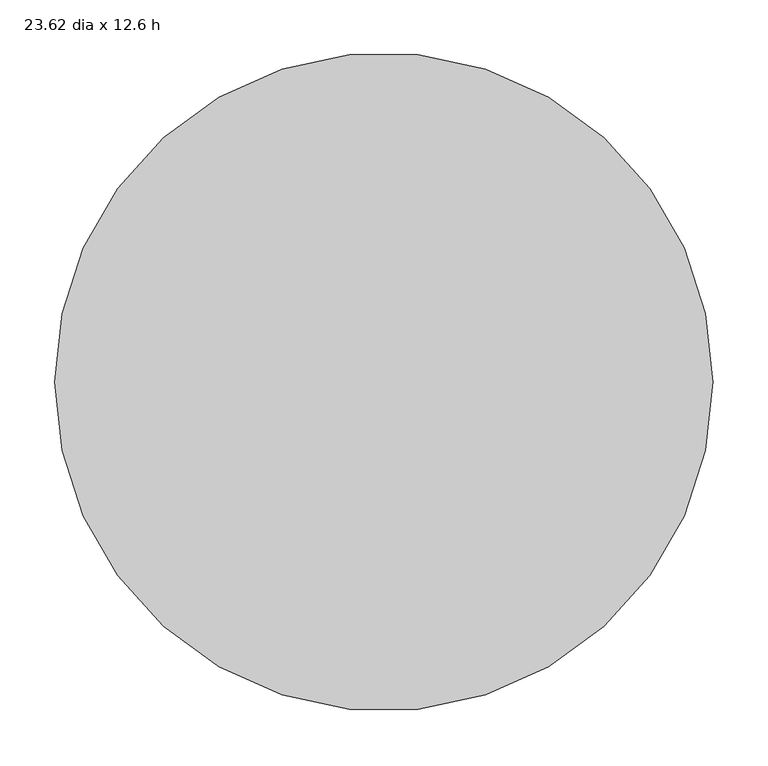
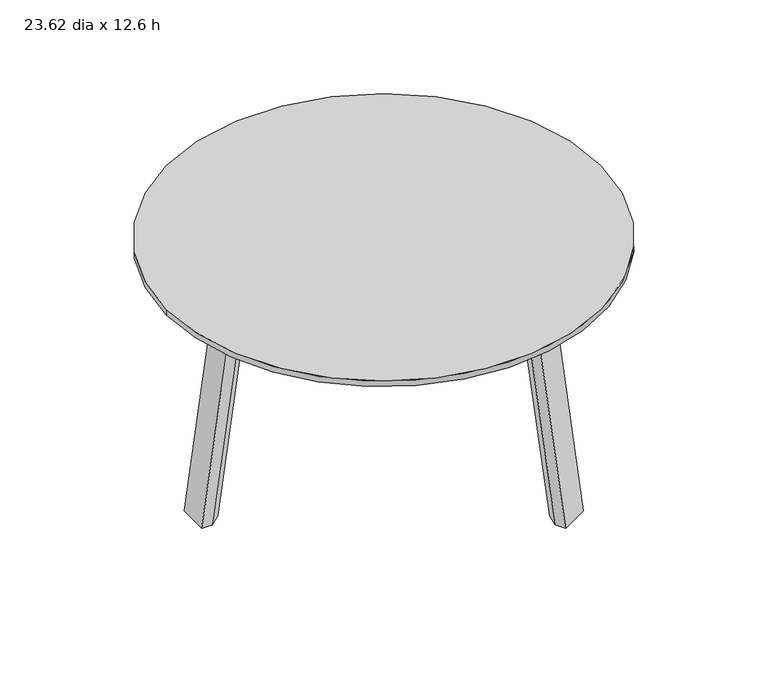
"""IFC4 building model written with IfcOpenShell, lengths in millimetres: furniture geometry, 23.62 dia x 12.6 h."""

from ifc_helpers import new_model, si_unit, point, frame, origin, place, context, project, spatial, polyline, circle_curve, ellipse_curve, trimmed, source, transform, mapped, element, save
from ifc_brep_helpers import plane_surface, cylinder_surface, revolved_surface, advanced_brep


def furniture_23_62_dia_x_12_6_h_30333c52(model_context):
    return source(origin(), model_context, "Body", "AdvancedBrep", [
        advanced_brep(
        [(-164.2149804, 7.7487349, 274.7818324), (-164.2149804, 21.0031239, 290.0292627), (-12.1261592, 21.0031239, 290.0292627), (-4.4737342, 7.7487349, 274.7818324), (-214.626195, 21.0031239, 246.2074624), (-249.2283973, 21.0031239, 0.0), (-263.6148095, 21.0031239, 0.0), (-228.7339546, 21.0031239, 248.1901787), (-164.2149804, 21.0031239, 304.2756674), (-12.1261592, 21.0031239, 304.2756674), (-164.2149804, -21.0031239, 304.2756674), (-12.1261592, -21.0031239, 304.2756674), (63.9182514, -152.7159067, 304.2756674), (100.2967291, -131.7127828, 304.2756674), (24.2523185, 0.0, 304.2756674), (100.2967291, 131.7127828, 304.2756674), (63.9182514, 152.7159067, 304.2756674), (-228.7339546, -21.0031239, 248.1901787), (-263.6148095, -21.0031239, 0.0), (-249.2283973, -21.0031239, 0.0), (-214.626195, -21.0031239, 246.2074624), (-164.2149804, -21.0031239, 290.0292627), (-12.1261592, -21.0031239, 290.0292627), (-164.2149804, -7.7487349, 274.7818324), (-4.4737342, -7.7487349, 274.7818324), (75.396889, 146.0887122, 274.7818324), (88.8180915, 138.3399773, 274.7818324), (8.9474683, 0.0, 274.7818324), (88.8180915, -138.3399773, 274.7818324), (75.396889, -146.0887122, 274.7818324), (-199.5271516, 7.7487349, 244.0854303), (-199.5271516, -7.7487349, 244.0854303), (-233.8311217, 7.7487349, 0.0), (-233.8311217, -7.7487349, 0.0), (100.2967291, 131.7127828, 290.0292627), (24.2523185, 0.0, 290.0292627), (125.5023363, 175.3701753, 246.2074624), (142.8034375, 205.3365615, 0.0), (149.9966436, 217.7955599, 0.0), (132.5562162, 187.5878535, 248.1901787), (96.1777385, 208.5909774, 248.1901787), (113.6181659, 238.7986838, 0.0), (106.4249598, 226.3396853, 0.0), (89.1238587, 196.3732991, 246.2074624), (63.9182514, 152.7159067, 290.0292627), (106.4741771, 168.9212146, 244.0854303), (93.0529745, 176.6699495, 244.0854303), (123.6261621, 198.6293242, 0.0), (110.2049596, 206.378059, 0.0), (100.2967291, -131.7127828, 290.0292627), (132.5562162, -187.5878535, 248.1901787), (149.9966436, -217.7955599, 0.0), (142.8034375, -205.3365615, 0.0), (125.5023363, -175.3701753, 246.2074624), (63.9182514, -152.7159067, 290.0292627), (89.1238587, -196.3732991, 246.2074624), (106.4249598, -226.3396853, 0.0), (113.6181659, -238.7986838, 0.0), (96.1777385, -208.5909774, 248.1901787), (106.4741771, -168.9212146, 244.0854303), (93.0529745, -176.6699495, 244.0854303), (123.6261621, -198.6293242, 0.0), (110.2049596, -206.378059, 0.0)],
        [
            (0, 1),
            (1, 2),
            (2, 3),
            (3, 0),
            (1, 4, circle_curve(frame((-164.2149804, 21.0031239, 239.1226283), z_axis=(0.0, -1.0, 0.0), x_axis=(0.0, 0.0, 1.0)), 50.9066345)),
            (4, 5),
            (5, 6),
            (6, 7),
            (7, 8, circle_curve(frame((-164.2149804, 21.0031239, 239.1226283), z_axis=(0.0, 1.0, 0.0), x_axis=(0.0, 0.0, 1.0)), 65.1530391)),
            (8, 9),
            (9, 2),
            (8, 10),
            (10, 11),
            (11, 12),
            (12, 13),
            (13, 14),
            (14, 15),
            (15, 16),
            (16, 9),
            (10, 17, circle_curve(frame((-164.2149804, -21.0031239, 239.1226283), z_axis=(0.0, -1.0, 0.0), x_axis=(0.0, 0.0, 1.0)), 65.1530391)),
            (17, 18),
            (18, 19),
            (19, 20),
            (20, 21, circle_curve(frame((-164.2149804, -21.0031239, 239.1226283), z_axis=(0.0, 1.0, 0.0), x_axis=(0.0, 0.0, 1.0)), 50.9066345)),
            (21, 22),
            (22, 11),
            (21, 23),
            (23, 24),
            (24, 22),
            (23, 0),
            (3, 25),
            (25, 26),
            (26, 27),
            (27, 28),
            (28, 29),
            (29, 24),
            (0, 30, circle_curve(frame((-164.2149804, 7.7487349, 239.1226283), z_axis=(0.0, -1.0, 0.0), x_axis=(0.0, 0.0, 1.0)), 35.6592041)),
            (30, 4),
            (7, 17),
            (20, 31),
            (31, 23, circle_curve(frame((-164.2149804, -7.7487349, 239.1226283), z_axis=(0.0, 1.0, 0.0), x_axis=(0.0, 0.0, 1.0)), 35.6592041)),
            (31, 30),
            (30, 32),
            (32, 5),
            (6, 18),
            (19, 33),
            (33, 31),
            (33, 32),
            (26, 34),
            (34, 35),
            (35, 27),
            (34, 36, circle_curve(frame((100.2967291, 131.7127828, 239.1226283), z_axis=(-0.8660254037852729, 0.49999999999855493, 0.0), x_axis=(0.0, 0.0, 1.0)), 50.9066345)),
            (36, 37),
            (37, 38),
            (38, 39),
            (39, 15, circle_curve(frame((100.2967291, 131.7127828, 239.1226283), z_axis=(0.8660254037852729, -0.49999999999855493, 0.0), x_axis=(0.0, 0.0, 1.0)), 65.1530391)),
            (14, 35),
            (16, 40, circle_curve(frame((63.9182514, 152.7159067, 239.1226283), z_axis=(-0.8660254037852729, 0.49999999999855493, 0.0), x_axis=(0.0, 0.0, 1.0)), 65.1530391)),
            (40, 41),
            (41, 42),
            (42, 43),
            (43, 44, circle_curve(frame((63.9182514, 152.7159067, 239.1226283), z_axis=(0.8660254037852729, -0.49999999999855493, 0.0), x_axis=(0.0, 0.0, 1.0)), 50.9066345)),
            (44, 2),
            (44, 25),
            (26, 45, circle_curve(frame((88.8180915, 138.3399773, 239.1226283), z_axis=(-0.8660254037852729, 0.49999999999855493, 0.0), x_axis=(0.0, 0.0, 1.0)), 35.6592041)),
            (45, 36),
            (39, 40),
            (43, 46),
            (46, 25, circle_curve(frame((75.396889, 146.0887122, 239.1226283), z_axis=(0.8660254037852729, -0.49999999999855493, 0.0), x_axis=(0.0, 0.0, 1.0)), 35.6592041)),
            (46, 45),
            (45, 47),
            (47, 37),
            (38, 41),
            (42, 48),
            (48, 46),
            (48, 47),
            (49, 28),
            (35, 49),
            (13, 50, circle_curve(frame((100.2967291, -131.7127828, 239.1226283), z_axis=(0.8660254037852729, 0.49999999999855493, 0.0), x_axis=(0.0, 0.0, 1.0)), 65.1530391)),
            (50, 51),
            (51, 52),
            (52, 53),
            (53, 49, circle_curve(frame((100.2967291, -131.7127828, 239.1226283), z_axis=(-0.8660254037852729, -0.49999999999855493, 0.0), x_axis=(0.0, 0.0, 1.0)), 50.9066345)),
            (54, 55, circle_curve(frame((63.9182514, -152.7159067, 239.1226283), z_axis=(0.8660254037852729, 0.49999999999855493, 0.0), x_axis=(0.0, 0.0, 1.0)), 50.9066345)),
            (55, 56),
            (56, 57),
            (57, 58),
            (58, 12, circle_curve(frame((63.9182514, -152.7159067, 239.1226283), z_axis=(-0.8660254037852729, -0.49999999999855493, 0.0), x_axis=(0.0, 0.0, 1.0)), 65.1530391)),
            (22, 54),
            (29, 54),
            (53, 59),
            (59, 28, circle_curve(frame((88.8180915, -138.3399773, 239.1226283), z_axis=(-0.8660254037852729, -0.49999999999855493, 0.0), x_axis=(0.0, 0.0, 1.0)), 35.6592041)),
            (58, 50),
            (29, 60, circle_curve(frame((75.396889, -146.0887122, 239.1226283), z_axis=(0.8660254037852729, 0.49999999999855493, 0.0), x_axis=(0.0, 0.0, 1.0)), 35.6592041)),
            (60, 55),
            (59, 60),
            (52, 61),
            (61, 59),
            (57, 51),
            (60, 62),
            (62, 56),
            (61, 62),
        ],
        [
            plane_surface(frame((0.0, 7.7487349, 274.7818324), z_axis=(0.0, 0.7547095802227738, -0.6560590289905054), x_axis=(-1.0, 0.0, 0.0))),
            plane_surface(frame((0.0, 21.0031239, 290.0292627), z_axis=(0.0, 1.0, 0.0), x_axis=(-1.0, 0.0, 0.0))),
            plane_surface(frame((0.0, 21.0031239, 304.2756674), z_axis=(0.0, 0.0, 1.0), x_axis=(-1.0, 0.0, 0.0))),
            plane_surface(frame((0.0, -21.0031239, 304.2756674), z_axis=(0.0, -1.0, 0.0), x_axis=(-1.0, 0.0, 0.0))),
            plane_surface(frame((0.0, -21.0031239, 290.0292627), z_axis=(0.0, -0.754709580222773, -0.6560590289905062), x_axis=(-1.0, 0.0, 0.0))),
            plane_surface(frame((0.0, -7.7487349, 274.7818324), z_axis=(0.0, 0.0, -1.0), x_axis=(-1.0, 0.0, 0.0))),
            revolved_surface(polyline([(-164.2149804, 7.7487349, 274.7818324), (-164.2149804, 21.0031239, 290.0292627)]), (-164.2149804, 0.0, 239.1226283), (0.0, -1.0, 0.0)),
            cylinder_surface(frame((-164.2149804, 0.0, 239.1226283), z_axis=(0.0, -1.0, 0.0), x_axis=(0.0, 0.0, 1.0)), 65.1530391),
            revolved_surface(polyline([(-164.2149804, -21.0031239, 290.0292627), (-164.2149804, -7.7487349, 274.7818324)]), (-164.2149804, 0.0, 239.1226283), (0.0, -1.0, 0.0)),
            revolved_surface(polyline([(-164.2149804, -7.7487349, 274.7818324), (-164.2149804, 7.7487349, 274.7818324)]), (-164.2149804, 0.0, 239.1226283), (0.0, -1.0, 0.0)),
            plane_surface(frame((-199.5271516, 7.7487349, 244.0854303), z_axis=(0.6496743076189343, 0.7547095802227458, -0.09130576947742702), x_axis=(-0.13917310096006696, 0.0, -0.9902680687415701))),
            plane_surface(frame((-228.7339546, 21.0031239, 248.1901787), z_axis=(-0.9902680687415701, 0.0, 0.13917310096006696), x_axis=(-0.13917310096006696, 0.0, -0.9902680687415701))),
            plane_surface(frame((-214.626195, -21.0031239, 246.2074624), z_axis=(0.6496743076188614, -0.7547095802228009, -0.09130576947749126), x_axis=(-0.13917310096006696, 0.0, -0.9902680687415701))),
            plane_surface(frame((-199.5271516, -7.7487349, 244.0854303), z_axis=(0.9902680687415701, 0.0, -0.13917310096006694), x_axis=(-0.13917310096006694, 0.0, -0.9902680687415701))),
            plane_surface(frame((6.7106013, -3.8743674, 274.7818324), z_axis=(0.6535976689530426, -0.3773547901102943, -0.6560590289905055), x_axis=(0.4999999999985549, 0.866025403785273, 0.0))),
            plane_surface(frame((18.1892388, -10.5015619, 290.0292627), z_axis=(0.866025403785273, -0.4999999999985549, 0.0), x_axis=(0.4999999999985549, 0.866025403785273, 0.0))),
            plane_surface(frame((-18.1892388, 10.5015619, 304.2756674), z_axis=(-0.866025403785273, 0.4999999999985548, 0.0), x_axis=(0.4999999999985548, 0.866025403785273, 0.0))),
            plane_surface(frame((-18.1892388, 10.5015619, 290.0292627), z_axis=(-0.6535976689530397, 0.37735479011029777, -0.6560590289905063), x_axis=(0.49999999999855493, 0.8660254037852729, 0.0))),
            revolved_surface(polyline([(88.8180915, 138.3399773, 274.7818324), (100.2967291, 131.7127828, 290.0292627)]), (82.1074902, 142.2143447, 239.1226283), (-0.8660254037852729, 0.49999999999855493, 0.0)),
            cylinder_surface(frame((82.1074902, 142.2143447, 239.1226283), z_axis=(-0.8660254037852729, 0.49999999999855493, 0.0), x_axis=(0.0, 0.0, 1.0)), 65.1530391),
            revolved_surface(polyline([(63.9182514, 152.7159067, 290.0292627), (75.396889, 146.0887122, 274.7818324)]), (82.1074902, 142.2143447, 239.1226283), (-0.8660254037852729, 0.49999999999855493, 0.0)),
            revolved_surface(polyline([(75.39688889526604, 146.08871216969746, 274.7818324), (88.81809148057451, 138.339977244251, 274.7818324)]), (82.1074902, 142.2143447, 239.1226283), (-0.8660254037852729, 0.49999999999855493, 0.0)),
            plane_surface(frame((106.4741771, 168.9212146, 244.0854303), z_axis=(0.32876051514448895, -0.9399892446948876, -0.09130576947742705), x_axis=(0.0695865504798747, 0.12052744095496613, -0.9902680687415701))),
            plane_surface(frame((132.5562162, 187.5878535, 248.1901787), z_axis=(0.49513403436939474, 0.8575973040875573, 0.13917310096006696), x_axis=(0.0695865504798747, 0.1205274409549661, -0.9902680687415701))),
            plane_surface(frame((89.1238587, 196.3732991, 246.2074624), z_axis=(-0.9784348227615569, -0.18527966447423228, -0.09130576947749136), x_axis=(0.06958655047987478, 0.1205274409549661, -0.9902680687415701))),
            plane_surface(frame((93.0529745, 176.6699495, 244.0854303), z_axis=(-0.49513403436939324, -0.8575973040875581, -0.139173100960067), x_axis=(0.06958655047987478, 0.1205274409549661, -0.9902680687415701))),
            plane_surface(frame((18.1892388, 10.5015619, 290.0292627), z_axis=(0.6535976689530425, 0.3773547901102945, -0.6560590289905055), x_axis=(0.4999999999985551, -0.8660254037852729, 0.0))),
            plane_surface(frame((18.1892388, 10.5015619, 304.2756674), z_axis=(0.8660254037852729, 0.49999999999855504, 0.0), x_axis=(0.49999999999855504, -0.8660254037852729, 0.0))),
            plane_surface(frame((-18.1892388, -10.5015619, 290.0292627), z_axis=(-0.866025403785273, -0.49999999999855493, 0.0), x_axis=(0.49999999999855493, -0.866025403785273, 0.0))),
            plane_surface(frame((-6.7106013, -3.8743674, 274.7818324), z_axis=(-0.6535976689530397, -0.3773547901102977, -0.6560590289905063), x_axis=(0.4999999999985549, -0.866025403785273, 0.0))),
            revolved_surface(polyline([(100.2967291, -131.7127828, 290.0292627), (88.8180915, -138.3399773, 274.7818324)]), (82.1074902, -142.2143447, 239.1226283), (0.8660254037852729, 0.49999999999855493, 0.0)),
            cylinder_surface(frame((82.1074902, -142.2143447, 239.1226283), z_axis=(0.8660254037852729, 0.49999999999855493, 0.0), x_axis=(0.0, 0.0, 1.0)), 65.1530391),
            revolved_surface(polyline([(75.396889, -146.0887122, 274.7818324), (63.9182514, -152.7159067, 290.0292627)]), (82.1074902, -142.2143447, 239.1226283), (0.8660254037852729, 0.49999999999855493, 0.0)),
            revolved_surface(polyline([(88.81809148057451, -138.339977244251, 274.7818324), (75.39688889526604, -146.08871216969746, 274.7818324)]), (82.1074902, -142.2143447, 239.1226283), (0.8660254037852729, 0.49999999999855493, 0.0)),
            plane_surface(frame((125.5023363, -175.3701753, 246.2074624), z_axis=(0.32876051514448895, 0.9399892446948876, -0.09130576947742705), x_axis=(0.0695865504798747, -0.12052744095496613, -0.9902680687415701))),
            plane_surface(frame((96.1777385, -208.5909774, 248.1901787), z_axis=(0.49513403436939474, -0.8575973040875573, 0.13917310096006696), x_axis=(0.0695865504798747, -0.1205274409549661, -0.9902680687415701))),
            plane_surface(frame((93.0529745, -176.6699495, 244.0854303), z_axis=(-0.9784348227615569, 0.18527966447423225, -0.09130576947749136), x_axis=(0.06958655047987478, -0.12052744095496613, -0.9902680687415701))),
            plane_surface(frame((106.4741771, -168.9212146, 244.0854303), z_axis=(-0.4951340343693933, 0.8575973040875581, -0.139173100960067), x_axis=(0.0695865504798747, -0.12052744095496613, -0.9902680687415701))),
            plane_surface(frame((330.2, 0.0, 0.0), z_axis=(0.0, 0.0, -1.0), x_axis=(0.0, 1.0, 0.0))),
        ],
        [
            (0, [[1, 2, 3, 4]]),
            (1, [[5, 6, 7, 8, 9, 10, 11, -2]]),
            (2, [[12, 13, 14, 15, 16, 17, 18, 19, -10]]),
            (3, [[20, 21, 22, 23, 24, 25, 26, -13]]),
            (4, [[27, 28, 29, -25]]),
            (5, [[30, -4, 31, 32, 33, 34, 35, 36, -28]]),
            (6, [[-1, 37, 38, -5]]),
            (7, [[-9, 39, -20, -12]]),
            (8, [[-24, 40, 41, -27]]),
            (9, [[-30, -41, 42, -37]]),
            (10, [[-38, 43, 44, -6]]),
            (11, [[-39, -8, 45, -21]]),
            (12, [[-40, -23, 46, 47]]),
            (13, [[-42, -47, 48, -43]]),
            (14, [[49, 50, 51, -33]]),
            (15, [[52, 53, 54, 55, 56, -17, 57, -50]]),
            (16, [[58, 59, 60, 61, 62, 63, -11, -19]]),
            (17, [[64, -31, -3, -63]]),
            (18, [[-49, 65, 66, -52]]),
            (19, [[-56, 67, -58, -18]]),
            (20, [[-62, 68, 69, -64]]),
            (21, [[-32, -69, 70, -65]]),
            (22, [[-66, 71, 72, -53]]),
            (23, [[-67, -55, 73, -59]]),
            (24, [[-68, -61, 74, 75]]),
            (25, [[-70, -75, 76, -71]]),
            (26, [[77, -34, -51, 78]]),
            (27, [[79, 80, 81, 82, 83, -78, -57, -16]]),
            (28, [[84, 85, 86, 87, 88, -14, -26, 89]]),
            (29, [[90, -89, -29, -36]]),
            (30, [[-77, -83, 91, 92]]),
            (31, [[-79, -15, -88, 93]]),
            (32, [[-84, -90, 94, 95]]),
            (33, [[-35, -92, 96, -94]]),
            (34, [[-91, -82, 97, 98]]),
            (35, [[-93, -87, 99, -80]]),
            (36, [[-95, 100, 101, -85]]),
            (37, [[-96, -98, 102, -100]]),
            (38, [[-7, -44, -48, -46, -22, -45]]),
            (38, [[-54, -72, -76, -74, -60, -73]]),
            (38, [[-81, -99, -86, -101, -102, -97]]),
        ],
    ),
        advanced_brep(
        [(-280.3621825, 0.0, 304.2881144), (280.3621825, 0.0, 304.2881144), (279.1428882, 0.0, 304.0566733), (-279.1428882, 0.0, 304.0566733), (-299.974, 0.0, 312.0116537), (299.974, 0.0, 312.0116537), (-299.974, 0.0, 320.04), (299.974, 0.0, 320.04)],
        [
            (0, 1, circle_curve(frame((0.0, 0.0, 304.2881144), z_axis=(0.0, 0.0, -1.0), x_axis=(1.0, 0.0, 0.0)), 280.3621825)),
            (1, 2, circle_curve(frame((279.1428882, 0.0, 307.3841791), z_axis=(0.0, 1.0, 0.0), x_axis=(-1.0, 0.0, 0.0)), 3.3275059)),
            (2, 3, circle_curve(frame((0.0, 0.0, 304.0566733), z_axis=(0.0, 0.0, 1.0), x_axis=(1.0, 0.0, 0.0)), 279.1428882)),
            (3, 0, circle_curve(frame((-279.1428882, 0.0, 307.3841791), z_axis=(0.0, 1.0, 0.0), x_axis=(1.0, 0.0, 0.0)), 3.3275059)),
            (0, 4),
            (4, 5, circle_curve(frame((0.0, 0.0, 312.0116537), z_axis=(0.0, 0.0, -1.0), x_axis=(1.0, 0.0, 0.0)), 299.974)),
            (5, 1),
            (4, 6),
            (6, 7, circle_curve(frame((0.0, 0.0, 320.04), z_axis=(0.0, 0.0, -1.0), x_axis=(1.0, 0.0, 0.0)), 299.974)),
            (7, 5),
            (6, 7, circle_curve(frame((0.0, 0.0, 320.04), z_axis=(0.0, 0.0, 1.0), x_axis=(-1.0, 0.0, 0.0)), 299.974)),
            (2, 3, circle_curve(frame((0.0, 0.0, 304.0566733), z_axis=(0.0, 0.0, -1.0), x_axis=(-1.0, 0.0, 0.0)), 279.1428882)),
            (1, 0, circle_curve(frame((0.0, 0.0, 304.2881144), z_axis=(0.0, 0.0, -1.0), x_axis=(-1.0, 0.0, 0.0)), 280.3621825)),
            (5, 4, circle_curve(frame((0.0, 0.0, 312.0116537), z_axis=(0.0, 0.0, -1.0), x_axis=(-1.0, 0.0, 0.0)), 299.974)),
        ],
        [
            revolved_surface(trimmed(ellipse_curve(frame((279.1428882, 0.0, 307.3841791), z_axis=(0.0, -1.0, 0.0), x_axis=(-1.0, 0.0, 0.0)), 3.3275059, 3.3275059), [point((279.1428882, 0.0, 304.0566733))], [point((280.3621825, 0.0, 304.2881144))], True, "CARTESIAN"), (0.0, 0.0, 320.04), (0.0, 0.0, 1.0)),
            revolved_surface(polyline([(280.3621825, 0.0, 304.2881144), (299.974, 0.0, 312.0116537)]), (0.0, 0.0, 320.04), (0.0, 0.0, 1.0)),
            cylinder_surface(frame((0.0, 0.0, 320.04), z_axis=(0.0, 0.0, 1.0), x_axis=(1.0, 0.0, 0.0)), 299.974),
            plane_surface(frame((0.0, 0.0, 320.04), z_axis=(0.0, 0.0, 1.0), x_axis=(-1.0, 0.0, 0.0))),
            plane_surface(frame((0.0, 0.0, 304.0566733), z_axis=(0.0, 0.0, -1.0), x_axis=(-1.0, 0.0, 0.0))),
            revolved_surface(trimmed(ellipse_curve(frame((-279.1428882, 0.0, 307.3841791), z_axis=(0.0, 1.0, 0.0), x_axis=(1.0, 0.0, 0.0)), 3.3275059, 3.3275059), [point((-279.1428882, 0.0, 304.0566733))], [point((-280.3621825, 0.0, 304.2881144))], True, "CARTESIAN"), (0.0, 0.0, 320.04), (0.0, 0.0, 1.0)),
            revolved_surface(polyline([(-280.3621825, 0.0, 304.2881144), (-299.974, 0.0, 312.0116537)]), (0.0, 0.0, 320.04), (0.0, 0.0, 1.0)),
            cylinder_surface(frame((0.0, 0.0, 320.04), z_axis=(0.0, 0.0, 1.0), x_axis=(-1.0, 0.0, 0.0)), 299.974),
        ],
        [
            (0, [[1, 2, 3, 4]]),
            (1, [[-1, 5, 6, 7]]),
            (2, [[-6, 8, 9, 10]]),
            (3, [[-9, 11]]),
            (4, [[-3, 12]]),
            (5, [[-2, 13, -4, -12]]),
            (6, [[-7, 14, -5, -13]]),
            (7, [[-10, -11, -8, -14]]),
        ],
    ),
    ])


if __name__ == "__main__":
    model = new_model("IFC4")
    model_context = context("Model", 3, world=origin())
    ifc_project = project(units=[si_unit("LENGTHUNIT", "METRE", prefix="MILLI")], contexts=[model_context])
    site = spatial("IfcSite", under=ifc_project)
    building = spatial("IfcBuilding", under=site)
    placement = place(None, origin())
    furniture_23_62_dia_x_12_6_h_shape = furniture_23_62_dia_x_12_6_h_30333c52(model_context)
    element("IfcFurniture", 1, ObjectType="23.62 dia x 12.6 h", at=placement, inside=building, context=model_context, shape_type="MappedRepresentation", body=[
        mapped(furniture_23_62_dia_x_12_6_h_shape, transform((0.0, 0.0, 0.0), x_axis=(1.0, 0.0, 0.0), y_axis=(0.0, 1.0, 0.0), z_axis=(0.0, 0.0, 1.0))),
    ])
    save(model, "model.ifc")
